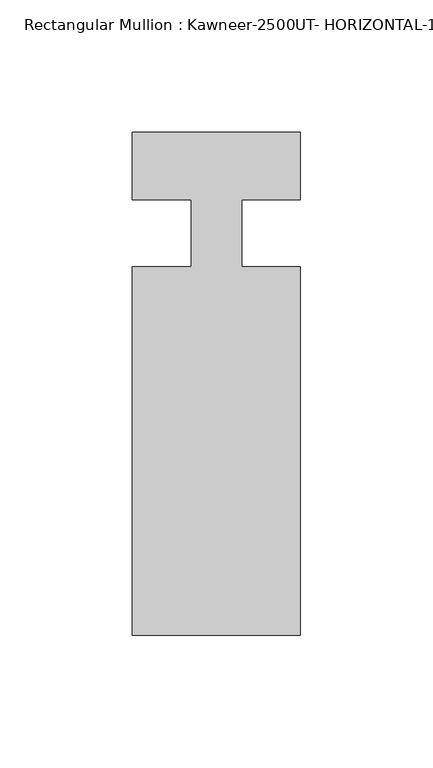
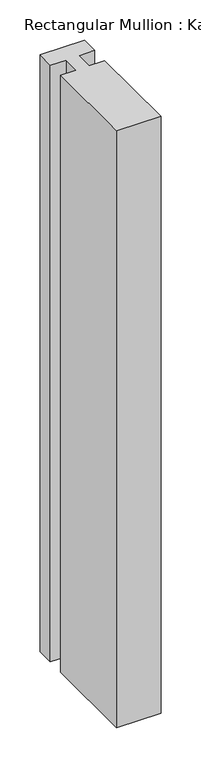
"""IFC4 building model written with IfcOpenShell, lengths in millimetres: member geometry, Rectangular Mullion : Kawneer-2500UT- HORIZONTAL-1 INCH INFILL-MODEL."""

import ifcopenshell
import ifcopenshell.guid

model = None  # the IFC model being written
_history = None  # IfcOwnerHistory: only IFC2X3 demands one
_inside = {}  # id of a spatial element -> (the spatial element, [elements in it])
_under = {}  # id of a project, library or spatial element -> (it, [spatial elements below it])
_declared = {}  # id of a project -> (the project, [libraries it declares])
_typed = {}  # id of a type object -> (the type object, [elements of that type])
_made_of = {}  # id of a material, layer set ... -> (it, [elements and type objects made of it])


def new_model(schema):
    """Start an empty IFC model of exactly this schema.

    Asked for "IFC4X3", IfcOpenShell would pick the latest addendum, in which some entities
    have other attributes; the version numbers below select the first issue.
    IFC2X3 requires an IfcOwnerHistory on every rooted entity: one is made here for all.
    """
    global model, _history
    if schema == "IFC4X3":
        model = ifcopenshell.file(schema_version=(4, 3, 0, 0))
    else:
        model = ifcopenshell.file(schema=schema)
    _inside.clear()
    _under.clear()
    _declared.clear()
    _typed.clear()
    _made_of.clear()
    _history = None
    if model.schema == "IFC2X3":
        org = make("IfcOrganization", Name="unknown")
        user = make(
            "IfcPersonAndOrganization",
            ThePerson=make("IfcPerson", FamilyName="unknown"),
            TheOrganization=org,
        )
        app = make(
            "IfcApplication",
            ApplicationDeveloper=org,
            Version="unknown",
            ApplicationFullName="unknown",
            ApplicationIdentifier="unknown",
        )
        _history = make(
            "IfcOwnerHistory",
            OwningUser=user,
            OwningApplication=app,
            ChangeAction="ADDED",
            CreationDate=0,
        )
    return model


def make(cls, **values):
    """One entity of the class cls with the attributes given. An attribute that is None is left unset."""
    return model.create_entity(
        cls, **{name: value for name, value in values.items() if value is not None}
    )


def rooted(cls, **values):
    """An entity with a GlobalId (a new one), such as an element, a storey or a relation."""
    return make(cls, GlobalId=ifcopenshell.guid.new(), OwnerHistory=_history, **values)


def si_unit(unit_type, name, prefix=None):
    """IfcSIUnit, for example si_unit("LENGTHUNIT", "METRE", prefix="MILLI")."""
    return make("IfcSIUnit", UnitType=unit_type, Prefix=prefix, Name=name)


def assignment(units):
    """IfcUnitAssignment: the units of a project."""
    return None if units is None else make("IfcUnitAssignment", Units=units)


def point(xyz):
    """IfcCartesianPoint."""
    return None if xyz is None else make("IfcCartesianPoint", Coordinates=xyz)


def direction(xyz):
    """IfcDirection."""
    return None if xyz is None else make("IfcDirection", DirectionRatios=xyz)


def frame(location, z_axis=None, x_axis=None):
    """IfcAxis2Placement3D, a coordinate frame: its origin and axes. An axis left out is left unset."""
    return make(
        "IfcAxis2Placement3D",
        Location=point(location),
        Axis=direction(z_axis),
        RefDirection=direction(x_axis),
    )


def frame_2d(location, x_axis=None):
    """IfcAxis2Placement2D, a coordinate frame in the plane: its origin and x axis."""
    return make(
        "IfcAxis2Placement2D", Location=point(location), RefDirection=direction(x_axis)
    )


def origin():
    """The frame at (0, 0, 0) with its axes left unset."""
    return frame((0.0, 0.0, 0.0))


def place(relative_to, where):
    """IfcLocalPlacement: puts the frame where relative to a parent placement (None: the world)."""
    return make(
        "IfcLocalPlacement", PlacementRelTo=relative_to, RelativePlacement=where
    )


def context(
    kind, dimensions, precision=None, world=None, true_north=None, identifier=None
):
    """IfcGeometricRepresentationContext, for example the 3D "Model" context."""
    return make(
        "IfcGeometricRepresentationContext",
        ContextIdentifier=identifier,
        ContextType=kind,
        CoordinateSpaceDimension=dimensions,
        Precision=precision,
        WorldCoordinateSystem=world,
        TrueNorth=true_north,
    )


def project(units=None, contexts=None):
    """IfcProject with its units and contexts."""
    return rooted(
        "IfcProject",
        Name="project",
        RepresentationContexts=contexts,
        UnitsInContext=assignment(units),
    )


def spatial(cls, under=None, at=None, **own):
    """A site, building, storey or space (cls), placed at a placement, below another one or the project."""
    s = rooted(cls, ObjectPlacement=at, **own)
    if under is not None:
        _under.setdefault(under.id(), (under, []))[1].append(s)
    return s


def polyline(points):
    """IfcPolyline through the points."""
    return make("IfcPolyline", Points=[point(p) for p in points])


def circle_curve(where, radius):
    """IfcCircle in the frame where."""
    return make("IfcCircle", Position=where, Radius=radius)


def trimmed(basis, trim1, trim2, sense, master):
    """IfcTrimmedCurve: the piece of a basis curve between two trims."""
    return make(
        "IfcTrimmedCurve",
        BasisCurve=basis,
        Trim1=trim1,
        Trim2=trim2,
        SenseAgreement=sense,
        MasterRepresentation=master,
    )


def segment(curve, same_sense, transition):
    """IfcCompositeCurveSegment."""
    return make(
        "IfcCompositeCurveSegment",
        Transition=transition,
        SameSense=same_sense,
        ParentCurve=curve,
    )


def composite_curve(segments, self_intersect=None):
    """IfcCompositeCurve: segments joined end to end."""
    return make("IfcCompositeCurve", Segments=segments, SelfIntersect=self_intersect)


def outline(outer, holes=None, kind="AREA"):
    """IfcArbitraryClosedProfileDef: a profile drawn as a closed curve; with holes, ...WithVoids."""
    if holes is None:
        return make("IfcArbitraryClosedProfileDef", ProfileType=kind, OuterCurve=outer)
    return make(
        "IfcArbitraryProfileDefWithVoids",
        ProfileType=kind,
        OuterCurve=outer,
        InnerCurves=holes,
    )


def extrude(swept, where, along, depth):
    """IfcExtrudedAreaSolid: the profile swept, set in the frame where, extruded along a direction by depth."""
    return make(
        "IfcExtrudedAreaSolid",
        SweptArea=swept,
        Position=where,
        ExtrudedDirection=direction(along),
        Depth=depth,
    )


def shape(context_of_items, identifier, shape_type, items):
    """IfcShapeRepresentation: the items that make up one representation, for example the "Body"."""
    return make(
        "IfcShapeRepresentation",
        ContextOfItems=context_of_items,
        RepresentationIdentifier=identifier,
        RepresentationType=shape_type,
        Items=items,
    )


def source(mapping_origin, context_of_items, identifier, shape_type, items):
    """IfcRepresentationMap: a shape defined once, which mapped items show again and again."""
    return make(
        "IfcRepresentationMap",
        MappingOrigin=mapping_origin,
        MappedRepresentation=shape(context_of_items, identifier, shape_type, items),
    )


def transform(
    local_origin,
    x_axis=None,
    y_axis=None,
    z_axis=None,
    scale=None,
    scale2=None,
    scale3=None,
    uniform=True,
):
    """IfcCartesianTransformationOperator3D, or its non-uniform kind. x_axis, y_axis, z_axis: its Axis1, 2, 3."""
    if uniform:
        return make(
            "IfcCartesianTransformationOperator3D",
            Axis1=direction(x_axis),
            Axis2=direction(y_axis),
            LocalOrigin=point(local_origin),
            Scale=scale,
            Axis3=direction(z_axis),
        )
    return make(
        "IfcCartesianTransformationOperator3DnonUniform",
        Axis1=direction(x_axis),
        Axis2=direction(y_axis),
        LocalOrigin=point(local_origin),
        Scale=scale,
        Axis3=direction(z_axis),
        Scale2=scale2,
        Scale3=scale3,
    )


def mapped(mapping_source, mapping_target):
    """IfcMappedItem: shows the shape of a source again, moved by a transform."""
    return make(
        "IfcMappedItem", MappingSource=mapping_source, MappingTarget=mapping_target
    )


def made_of(thing, what):
    """Note that an element or type object is made of a material, layer set ...; save() writes the relation."""
    if what is not None:
        _made_of.setdefault(what.id(), (what, []))[1].append(thing)
    return thing


def element(
    cls,
    number,
    at=None,
    inside=None,
    cuts=None,
    type_object=None,
    material=None,
    context=None,
    identifier="Body",
    shape_type=None,
    held_by="IfcProductDefinitionShape",
    body=None,
    shapes=None,
    **own,
):
    """One element of the class cls, such as IfcWall. Its Tag is "e" and its number.

    at: its placement. inside: the storey or other place that contains it. cuts: it is an
    opening in that element (IfcRelVoidsElement). A single representation is given by context,
    identifier, shape_type and body (its items); several are given by shapes. held_by: the class
    of the entity that holds the representations. save() writes the other relations.
    """
    e = rooted(cls, Tag="e%d" % number, ObjectPlacement=at, **own)
    if body is not None:
        shapes = [shape(context, identifier, shape_type, body)]
    if shapes is not None:
        e.Representation = make(held_by, Representations=shapes)
    if inside is not None:
        _inside.setdefault(inside.id(), (inside, []))[1].append(e)
    if cuts is not None:
        rooted(
            "IfcRelVoidsElement", RelatingBuildingElement=cuts, RelatedOpeningElement=e
        )
    if type_object is not None:
        _typed.setdefault(type_object.id(), (type_object, []))[1].append(e)
    return made_of(e, material)


def aggregate(whole, parts):
    """IfcRelAggregates: a whole, such as a stair, and the parts it consists of."""
    return rooted("IfcRelAggregates", RelatingObject=whole, RelatedObjects=parts)


def save(model, path):
    """Write the relations noted so far, then the file.

    IfcRelAggregates (storeys below a building ...), IfcRelContainedInSpatialStructure (elements
    in a storey), IfcRelDefinesByType, IfcRelAssociatesMaterial and IfcRelDeclares: one each for
    every whole, place, type object, material and project.
    """
    for whole, parts in _under.values():
        aggregate(whole, parts)
    for where, things in _inside.values():
        rooted(
            "IfcRelContainedInSpatialStructure",
            RelatedElements=things,
            RelatingStructure=where,
        )
    for kind, things in _typed.values():
        rooted("IfcRelDefinesByType", RelatedObjects=things, RelatingType=kind)
    for what, things in _made_of.values():
        rooted("IfcRelAssociatesMaterial", RelatedObjects=things, RelatingMaterial=what)
    for by, libraries in _declared.values():
        rooted("IfcRelDeclares", RelatingContext=by, RelatedDefinitions=libraries)
    model.write(path)


def rectangular_mullion_kawneer_2500ut_horizontal_1_inch_infill_a9f0769d(model_context):
    return source(origin(), model_context, "Body", "SweptSolid", [
        extrude(outline(composite_curve([segment(polyline([(63.515875, -25.415875), (63.515875, -164.607875), (0.015875, -164.607875), (0.015875, -25.415875), (22.2407618, -25.415875), (22.2407618, -0.3335033)]), True, "CONTINUOUS"), segment(trimmed(circle_curve(frame_2d((4.3166268, -461.0236947)), 461.0387479), [point((22.2407618, -0.3335033))], [point((0.015875, -0.0050068))], True, "CARTESIAN"), True, "CONTINUOUS"), segment(polyline([(0.015875, -0.0050068), (0.015875, 25.4), (63.515875, 25.4), (63.515875, -0.0050068)]), True, "CONTINUOUS"), segment(trimmed(circle_curve(frame_2d((59.2151232, -461.0236947)), 461.0387479), [point((63.515875, -0.0050068))], [point((41.290875, -0.3335077))], True, "CARTESIAN"), True, "CONTINUOUS"), segment(polyline([(41.290875, -0.3335077), (41.290875, -25.415875), (63.515875, -25.415875)]), True, "CONTINUOUS")], self_intersect=False)), frame((0.0, 0.0, -904.9161687), z_axis=(0.0, 0.0, 1.0), x_axis=(1.0, 0.0, 0.0)), (0.0, 0.0, 1.0), 904.9161687),
    ])


if __name__ == "__main__":
    model = new_model("IFC4")
    model_context = context("Model", 3, world=origin())
    ifc_project = project(units=[si_unit("LENGTHUNIT", "METRE", prefix="MILLI")], contexts=[model_context])
    site = spatial("IfcSite", under=ifc_project)
    building = spatial("IfcBuilding", under=site)
    placement = place(None, origin())
    rectangular_mullion_kawneer_2500ut_horizontal_1_inch_infill_shape = rectangular_mullion_kawneer_2500ut_horizontal_1_inch_infill_a9f0769d(model_context)
    element("IfcMember", 1, ObjectType="Rectangular Mullion : Kawneer-2500UT- HORIZONTAL-1 INCH INFILL-MODEL", at=placement, inside=building, context=model_context, shape_type="MappedRepresentation", body=[
        mapped(rectangular_mullion_kawneer_2500ut_horizontal_1_inch_infill_shape, transform((0.0, 0.0, 0.0), x_axis=(1.0, 0.0, 0.0), y_axis=(0.0, 1.0, 0.0), z_axis=(0.0, 0.0, 1.0))),
    ])
    save(model, "model.ifc")
